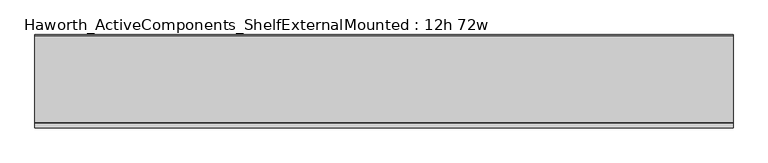
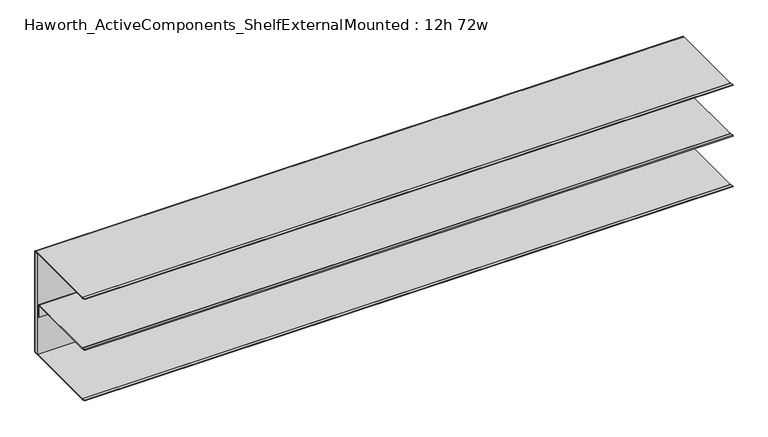
"""IFC4 building model written with IfcOpenShell, lengths in millimetres: furniture geometry, Haworth_ActiveComponents_ShelfExternalMounted : 12h 72w."""

from ifc_helpers import new_model, si_unit, point, frame, frame_2d, origin, place, context, project, spatial, polyline, circle_curve, trimmed, segment, composite_curve, outline, extrude, source, transform, mapped, element, save


def haworth_activecomponents_shelfexternalmounted_12h_72w_05e863cb(model_context):
    return source(origin(), model_context, "Body", "SweptSolid", [
        extrude(outline(polyline([(-2565.346931, -1108.8104248), (-2565.346931, -1096.1601932), (-736.546931, -1096.1601932), (-736.546931, -1108.8104248), (-2565.346931, -1108.8104248)])), frame((0.0, 0.0, 587.0955999), z_axis=(0.0, 0.0, 1.0), x_axis=(1.0, 0.0, 0.0)), (0.0, 0.0, 1.0), 299.0087945),
        extrude(outline(composite_curve([segment(polyline([(-1097.380424, 584.2), (-1325.9274211, 584.2)]), True, "CONTINUOUS"), segment(trimmed(circle_curve(frame_2d((-1325.9274211, 587.375)), 3.175), [point((-1325.9274211, 584.2))], [point((-1326.7491675, 584.3081844))], False, "CARTESIAN"), True, "CONTINUOUS"), segment(polyline([(-1326.7491675, 584.3081844), (-1338.9841932, 587.5865324), (-1338.4911456, 589.426621), (-1326.4983733, 586.2131843)]), True, "CONTINUOUS"), segment(trimmed(circle_curve(frame_2d((-1325.6766268, 589.2799999)), 3.175), [point((-1326.4983733, 586.2131843))], [point((-1325.6766268, 586.1049999))], True, "CARTESIAN"), True, "CONTINUOUS"), segment(polyline([(-1325.6766268, 586.1049999), (-1097.1943019, 586.1049999)]), True, "CONTINUOUS"), segment(trimmed(circle_curve(frame_2d((-1097.1943019, 587.1888762)), 1.0838764), [point((-1097.1943019, 586.1049999))], [point((-1096.1104256, 587.1888762))], True, "CARTESIAN"), True, "CONTINUOUS"), segment(polyline([(-1096.1104256, 587.1888762), (-1096.1104256, 886.0673706)]), True, "CONTINUOUS"), segment(trimmed(circle_curve(frame_2d((-1097.1380502, 886.0673706)), 1.0276247), [point((-1096.1104256, 886.0673706))], [point((-1097.1380502, 887.0949953))], True, "CARTESIAN"), True, "CONTINUOUS"), segment(polyline([(-1097.1380502, 887.0949953), (-1325.8780783, 887.0949953)]), True, "CONTINUOUS"), segment(trimmed(circle_curve(frame_2d((-1325.8780783, 890.2699953)), 3.175), [point((-1325.8780783, 887.0949953))], [point((-1326.6998504, 887.2031866))], False, "CARTESIAN"), True, "CONTINUOUS"), segment(polyline([(-1326.6998504, 887.2031866), (-1338.9344324, 890.4815255), (-1338.4413666, 892.3216203), (-1326.4490248, 889.1081913)]), True, "CONTINUOUS"), segment(trimmed(circle_curve(frame_2d((-1325.6272527, 892.175)), 3.175), [point((-1326.4490248, 889.1081913))], [point((-1325.6272527, 889.0))], True, "CARTESIAN"), True, "CONTINUOUS"), segment(polyline([(-1325.6272527, 889.0), (-1097.380424, 889.0)]), True, "CONTINUOUS"), segment(trimmed(circle_curve(frame_2d((-1097.380424, 885.825)), 3.175), [point((-1097.380424, 889.0))], [point((-1094.205424, 885.825))], False, "CARTESIAN"), True, "CONTINUOUS"), segment(polyline([(-1094.205424, 885.825), (-1094.205424, 587.375)]), True, "CONTINUOUS"), segment(trimmed(circle_curve(frame_2d((-1097.380424, 587.375)), 3.175), [point((-1094.205424, 587.375))], [point((-1097.380424, 584.2))], False, "CARTESIAN"), True, "CONTINUOUS")], self_intersect=False)), frame((-2565.346931, 0.0, 0.0), z_axis=(1.0, 0.0, 0.0), x_axis=(0.0, 1.0, 0.0)), (0.0, 0.0, 1.0), 1828.8),
        extrude(outline(composite_curve([segment(polyline([(-1338.9344324, 739.0213301), (-1338.4413666, 740.8614249), (-1326.4490005, 737.6479893)]), True, "CONTINUOUS"), segment(trimmed(circle_curve(frame_2d((-1325.6272283, 740.714798)), 3.175), [point((-1326.4490005, 737.6479893))], [point((-1325.6272283, 737.539798))], True, "CARTESIAN"), True, "CONTINUOUS"), segment(polyline([(-1325.6272283, 737.539798), (-1113.319713, 737.539798)]), True, "CONTINUOUS"), segment(trimmed(circle_curve(frame_2d((-1113.319713, 734.5545084)), 2.9852896), [point((-1113.319713, 737.539798))], [point((-1110.3344234, 734.5545084))], False, "CARTESIAN"), True, "CONTINUOUS"), segment(polyline([(-1110.3344234, 734.5545084), (-1110.3344234, 699.439798), (-1112.2394238, 699.439798), (-1112.2394238, 734.6253876)]), True, "CONTINUOUS"), segment(trimmed(circle_curve(frame_2d((-1113.248836, 734.6253876)), 1.0094122), [point((-1112.2394238, 734.6253876))], [point((-1113.248836, 735.6347998))], True, "CARTESIAN"), True, "CONTINUOUS"), segment(polyline([(-1113.248836, 735.6347998), (-1325.8780783, 735.6347998)]), True, "CONTINUOUS"), segment(trimmed(circle_curve(frame_2d((-1325.8780783, 738.8097998)), 3.175), [point((-1325.8780783, 735.6347998))], [point((-1326.6998504, 735.7429911))], False, "CARTESIAN"), True, "CONTINUOUS"), segment(polyline([(-1326.6998504, 735.7429911), (-1338.9344324, 739.0213301)]), True, "CONTINUOUS")], self_intersect=False)), frame((-2565.346931, 0.0, 0.0), z_axis=(1.0, 0.0, 0.0), x_axis=(0.0, 1.0, 0.0)), (0.0, 0.0, 1.0), 1828.8),
    ])


if __name__ == "__main__":
    model = new_model("IFC4")
    model_context = context("Model", 3, world=origin())
    ifc_project = project(units=[si_unit("LENGTHUNIT", "METRE", prefix="MILLI")], contexts=[model_context])
    site = spatial("IfcSite", under=ifc_project)
    building = spatial("IfcBuilding", under=site)
    placement = place(None, origin())
    haworth_activecomponents_shelfexternalmounted_12h_72w_shape = haworth_activecomponents_shelfexternalmounted_12h_72w_05e863cb(model_context)
    element("IfcFurniture", 1, ObjectType="Haworth_ActiveComponents_ShelfExternalMounted : 12h 72w", at=placement, inside=building, context=model_context, shape_type="MappedRepresentation", body=[
        mapped(haworth_activecomponents_shelfexternalmounted_12h_72w_shape, transform((0.0, 0.0, 0.0), x_axis=(1.0, 0.0, 0.0), y_axis=(0.0, 1.0, 0.0), z_axis=(0.0, 0.0, 1.0))),
    ])
    save(model, "model.ifc")
